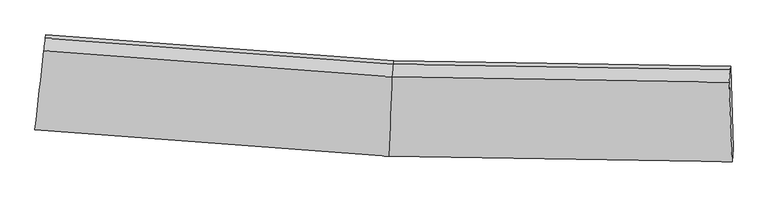
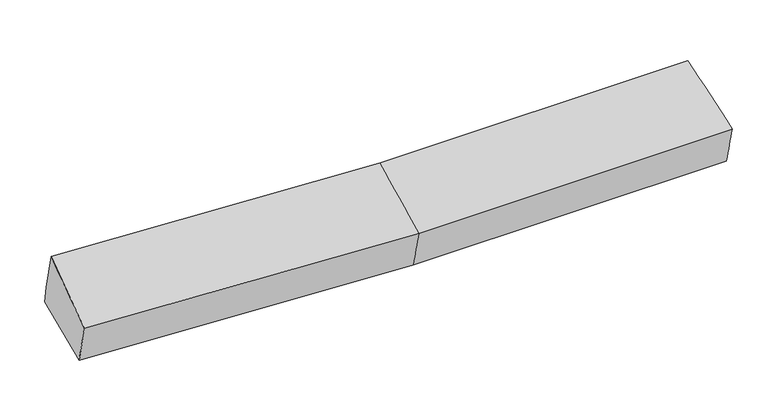
"""IFC4 building model written with IfcOpenShell, lengths in millimetres: proxy geometry."""

from ifc_helpers import new_model, si_unit, frame, origin, place, context, project, spatial, source, transform, mapped, element, save
from ifc_brep_helpers import plane_surface, spline_surface, advanced_brep


def generic_models_b65e85a3(model_context):
    return source(origin(), model_context, "Body", "AdvancedBrep", [
        advanced_brep(
        [(-2954.9511764, -1894.9264011, 2070.5239597), (-2941.5546819, -1786.8192179, 1689.738053), (13.8235059, -2007.7410574, 1717.5369821), (3.0637876, -2116.0557086, 2098.3475658), (-2863.6956192, -1103.2820923, 1819.0244181), (41.4248239, -1320.2495289, 1846.3529962), (-2867.4735821, -1132.5939073, 1976.2711811), (37.646861, -1349.5613439, 2003.5997593), (-2880.0280981, -1233.6211204, 2345.227178), (27.3829037, -1450.7687839, 2372.577193), (2852.9468153, -1396.0796519, 2047.3053504), (2844.9027377, -1497.3068371, 2416.3324376), (2869.6261167, -2163.0299807, 2143.1997764), (2877.8304207, -2054.6925998, 1762.3320341), (2856.7247782, -1366.7678369, 1890.0585873)],
        [
            (0, 1),
            (1, 2),
            (2, 3),
            (3, 0),
            (1, 4),
            (4, 5),
            (5, 1),
            (4, 6),
            (6, 7),
            (7, 5),
            (6, 8),
            (8, 9),
            (9, 7),
            (8, 0),
            (3, 9),
            (10, 11),
            (11, 12),
            (12, 13),
            (13, 14),
            (14, 10),
            (5, 2),
            (9, 11),
            (10, 7),
            (3, 12),
            (2, 13),
            (5, 14),
        ],
        [
            spline_surface(1, 1, [[(-2954.9511764, -1894.9264011, 2070.5239597), (3.0637876, -2116.0557086, 2098.3475658)], [(-2941.5546819, -1786.8192179, 1689.738053), (13.8235059, -2007.7410574, 1717.5369821)]], [2, 2], [2, 2], [0.0, 1.0], [0.0, 1.0]),
            plane_surface(frame((-2902.6251506, -1445.0506551, 1754.3812355), z_axis=(0.0229330917144806, 0.18327650920439525, -0.9827938718155841), x_axis=(0.11122723234550572, 0.9764816080947226, 0.18469480728353901))),
            plane_surface(frame((-2865.5846007, -1117.9379998, 1897.6477996), z_axis=(0.0714737882887556, 0.9802413890781171, 0.18444055065483314), x_axis=(-0.023612268076064813, -0.18319884374049564, 0.9827922692250126))),
            spline_surface(1, 1, [[(-2867.4735821, -1132.5939073, 1976.2711811), (37.646861, -1349.5613439, 2003.5997593)], [(-2880.0280981, -1233.6211204, 2345.227178), (27.3829037, -1450.7687839, 2372.577193)]], [2, 2], [2, 2], [0.0, 1.0], [0.0, 1.0]),
            spline_surface(1, 1, [[(-2880.0280981, -1233.6211204, 2345.227178), (27.3829037, -1450.7687839, 2372.577193)], [(-2954.9511764, -1894.9264011, 2070.5239597), (3.0637876, -2116.0557086, 2098.3475658)]], [2, 2], [2, 2], [0.0, 1.0], [0.0, 1.0]),
            plane_surface(frame((2860.4061737, -1695.5753813, 2051.8456372), z_axis=(0.9992664224032172, 0.025323641059460614, 0.028728561762933515), x_axis=(-0.021016884736826193, -0.2644778195641443, 0.9641627318635351))),
            plane_surface(frame((-2901.5406316, -1430.2485478, 1980.156958), z_axis=(-0.9935144506151187, 0.11367432737830271, -0.0026802451436127583), x_axis=(0.10405983100371392, 0.9184795564027957, 0.3815322477086339))),
            plane_surface(frame((-2941.5546819, -1786.8192179, 1689.738053), z_axis=(0.022941184837274455, 0.18322775453648366, -0.9828027737068004), x_axis=(0.03943045430023125, 0.9821307549928412, 0.1840228773029841))),
            spline_surface(1, 1, [[(37.646861, -1349.5613439, 2003.5997593), (2852.9468153, -1396.0796519, 2047.3053504)], [(27.3829037, -1450.7687839, 2372.577193), (2844.9027377, -1497.3068371, 2416.3324376)]], [2, 2], [2, 2], [0.0, 1.0], [0.0, 1.0]),
            spline_surface(1, 1, [[(27.3829037, -1450.7687839, 2372.577193), (2844.9027377, -1497.3068371, 2416.3324376)], [(3.0637876, -2116.0557086, 2098.3475658), (2869.6261167, -2163.0299807, 2143.1997764)]], [2, 2], [2, 2], [0.0, 1.0], [0.0, 1.0]),
            spline_surface(1, 1, [[(3.0637876, -2116.0557086, 2098.3475658), (2869.6261167, -2163.0299807, 2143.1997764)], [(13.8235059, -2007.7410574, 1717.5369821), (2877.8304207, -2054.6925998, 1762.3320341)]], [2, 2], [2, 2], [0.0, 1.0], [0.0, 1.0]),
            spline_surface(1, 1, [[(13.8235059, -2007.7410574, 1717.5369821), (2877.8304207, -2054.6925998, 1762.3320341)], [(41.4248239, -1320.2495289, 1846.3529962), (2856.7247782, -1366.7678369, 1890.0585873)]], [2, 2], [2, 2], [0.0, 1.0], [0.0, 1.0]),
            plane_surface(frame((39.5358425, -1334.9054364, 1924.9763778), z_axis=(0.013391775896075108, 0.982920190265166, 0.1835444357844699), x_axis=(-0.023612268076229265, -0.18319884374049736, 0.9827922692250083))),
        ],
        [
            (0, [[1, 2, 3, 4]]),
            (1, [[5, 6, 7]]),
            (2, [[8, 9, 10, -6]]),
            (3, [[11, 12, 13, -9]]),
            (4, [[14, -4, 15, -12]]),
            (5, [[16, 17, 18, 19, 20]]),
            (6, [[-14, -11, -8, -5, -1]]),
            (7, [[21, -2, -7]]),
            (8, [[-13, 22, -16, 23]]),
            (9, [[-15, 24, -17, -22]]),
            (10, [[-3, 25, -18, -24]]),
            (11, [[-21, 26, -19, -25]]),
            (12, [[-10, -23, -20, -26]]),
        ],
    ),
    ])


if __name__ == "__main__":
    model = new_model("IFC4")
    model_context = context("Model", 3, world=origin())
    ifc_project = project(units=[si_unit("LENGTHUNIT", "METRE", prefix="MILLI")], contexts=[model_context])
    site = spatial("IfcSite", under=ifc_project)
    building = spatial("IfcBuilding", under=site)
    placement = place(None, origin())
    generic_models_shape = generic_models_b65e85a3(model_context)
    element("IfcBuildingElementProxy", 1, Name="Generic Models", at=placement, inside=building, context=model_context, shape_type="MappedRepresentation", body=[
        mapped(generic_models_shape, transform((0.0, 0.0, 0.0), x_axis=(1.0, 0.0, 0.0), y_axis=(0.0, 1.0, 0.0), z_axis=(0.0, 0.0, 1.0))),
    ])
    save(model, "model.ifc")
